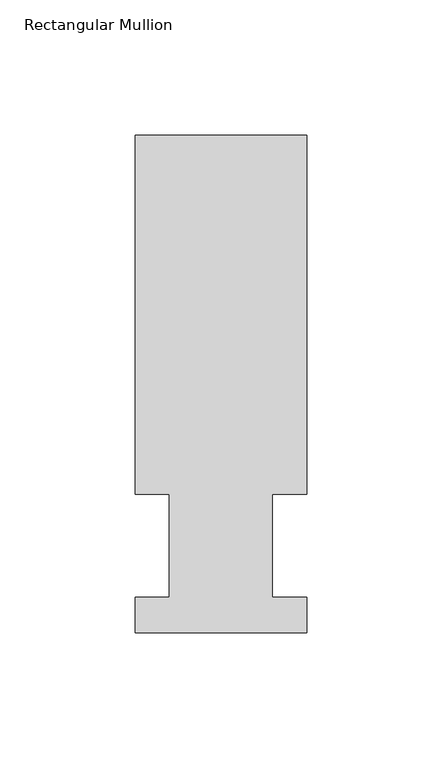
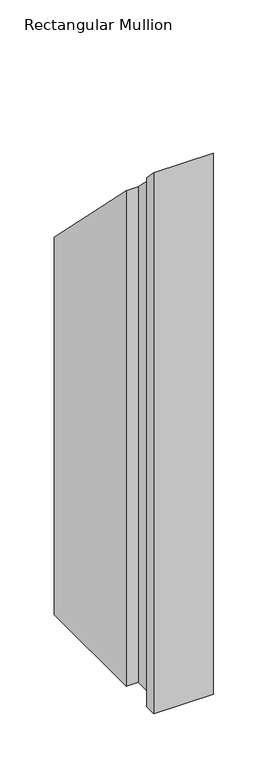
"""IFC4 building model written with IfcOpenShell, lengths in millimetres: member geometry, Rectangular Mullion."""

from ifc_helpers import new_model, si_unit, origin, place, context, project, spatial, faceted_brep, source, transform, mapped, element, save


def rectangular_mullion_2cd99b5e(model_context):
    return source(origin(), model_context, "Body", "Brep", [
        faceted_brep([(0.0, 184.2396937, -609.6), (0.0, 51.2960938, -609.6), (-12.6873001, 51.2960938, -609.6), (-12.6873001, 13.1960938, -609.6), (0.0, 13.1960938, -609.6), (0.0, 0.0134938, -609.6), (-63.5000001, 0.0134938, -609.6), (-63.5000001, 13.1960938, -609.6), (-50.8127001, 13.1960938, -609.6), (-50.8127001, 51.2960938, -609.6), (-63.5127, 51.2960938, -609.6), (-63.5127, 184.2396938, -609.6), (-63.5127, 184.2396937, -184.2396937), (0.0, 184.2396937, -184.2396937), (-63.5127, 51.2960938, -51.2960937), (-50.8127001, 51.2960938, -51.2960937), (-50.8127001, 13.1960938, -13.1960938), (-63.5000001, 13.1960938, -13.1960938), (-63.5000001, 0.0134938, -0.0134938), (0.0, 0.0134938, -0.0134938), (0.0, 13.1960938, -13.1960938), (-12.6873001, 13.1960938, -13.1960938), (-12.6873001, 51.2960938, -51.2960937), (0.0, 51.2960938, -51.2960937)], [[[0, 1, 2, 3, 4, 5, 6, 7, 8, 9, 10, 11]], [[12, 13, 0, 11]], [[14, 12, 11, 10]], [[15, 14, 10, 9]], [[16, 15, 9, 8]], [[17, 16, 8, 7]], [[18, 17, 7, 6]], [[19, 18, 6, 5]], [[20, 19, 5, 4]], [[21, 20, 4, 3]], [[22, 21, 3, 2]], [[23, 22, 2, 1]], [[13, 23, 1, 0]], [[13, 12, 14, 15, 16, 17, 18, 19, 20, 21, 22, 23]]]),
    ])


if __name__ == "__main__":
    model = new_model("IFC4")
    model_context = context("Model", 3, world=origin())
    ifc_project = project(units=[si_unit("LENGTHUNIT", "METRE", prefix="MILLI")], contexts=[model_context])
    site = spatial("IfcSite", under=ifc_project)
    building = spatial("IfcBuilding", under=site)
    placement = place(None, origin())
    rectangular_mullion_shape = rectangular_mullion_2cd99b5e(model_context)
    element("IfcMember", 1, ObjectType="Rectangular Mullion", at=placement, inside=building, context=model_context, shape_type="MappedRepresentation", body=[
        mapped(rectangular_mullion_shape, transform((0.0, 0.0, 0.0), x_axis=(1.0, 0.0, 0.0), y_axis=(0.0, 1.0, 0.0), z_axis=(0.0, 0.0, 1.0))),
    ])
    save(model, "model.ifc")
